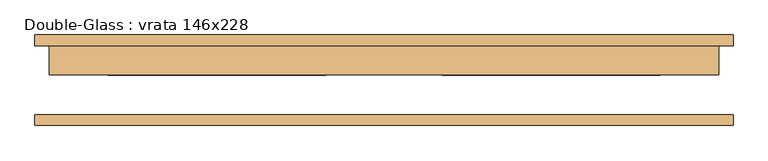
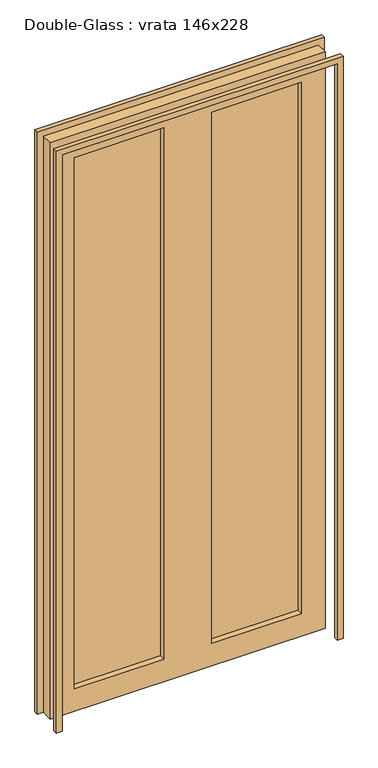
"""IFC4 building model written with IfcOpenShell, lengths in millimetres: door geometry, Double-Glass : vrata 146x228."""

from ifc_helpers import new_model, si_unit, frame, origin, place, context, project, spatial, polyline, outline, extrude, source, transform, mapped, element, save


def double_glass_vrata_146x228_2d1e5dcf(model_context):
    return source(origin(), model_context, "Body", "SweptSolid", [
        extrude(outline(polyline([(0.0, 609.6), (2616.2, 609.6), (2616.2, -609.6), (0.0, -609.6), (0.0, -584.2), (2590.8, -584.2), (2590.8, 584.2), (0.0, 584.2), (0.0, 609.6)])), frame((0.0, -76.66875, 0.0), z_axis=(0.0, 1.0, 0.0), x_axis=(0.0, 0.0, 1.0)), (0.0, 0.0, 1.0), 19.05),
        extrude(outline(polyline([(2590.8, 584.2), (0.0, 584.2), (0.0, 609.6), (2616.2, 609.6), (2616.2, -609.6), (0.0, -609.6), (0.0, -584.2), (2590.8, -584.2), (2590.8, 584.2)])), frame((0.0, 62.38125, 0.0), z_axis=(0.0, 1.0, 0.0), x_axis=(0.0, 0.0, 1.0)), (0.0, 0.0, 1.0), 19.05),
        extrude(outline(polyline([(482.6, 36.98125), (101.6, 36.98125), (101.6, 44.125), (482.6, 44.125), (482.6, 36.98125)])), frame((0.0, 0.0, 101.6), z_axis=(0.0, 0.0, 1.0), x_axis=(1.0, 0.0, 0.0)), (0.0, 0.0, 1.0), 2387.6),
        extrude(outline(polyline([(-101.6, 36.98125), (-482.6, 36.98125), (-482.6, 44.125), (-101.6, 44.125), (-101.6, 36.98125)])), frame((0.0, 0.0, 101.6), z_axis=(0.0, 0.0, 1.0), x_axis=(1.0, 0.0, 0.0)), (0.0, 0.0, 1.0), 2387.6),
        extrude(outline(polyline([(2590.8, 584.2), (2590.8, -584.2), (0.0, -584.2), (0.0, 584.2), (2590.8, 584.2)]), holes=[polyline([(2489.2, -101.6), (101.6, -101.6), (101.6, -482.6), (2489.2, -482.6), (2489.2, -101.6)]), polyline([(2489.2, 482.6), (101.6, 482.6), (101.6, 101.6), (2489.2, 101.6), (2489.2, 482.6)])]), frame((0.0, 11.58125, 0.0), z_axis=(0.0, 1.0, 0.0), x_axis=(0.0, 0.0, 1.0)), (0.0, 0.0, 1.0), 50.8),
    ])


if __name__ == "__main__":
    model = new_model("IFC4")
    model_context = context("Model", 3, world=origin())
    ifc_project = project(units=[si_unit("LENGTHUNIT", "METRE", prefix="MILLI")], contexts=[model_context])
    site = spatial("IfcSite", under=ifc_project)
    building = spatial("IfcBuilding", under=site)
    placement = place(None, origin())
    double_glass_vrata_146x228_shape = double_glass_vrata_146x228_2d1e5dcf(model_context)
    element("IfcDoor", 1, ObjectType="Double-Glass : vrata 146x228", at=placement, inside=building, context=model_context, shape_type="MappedRepresentation", body=[
        mapped(double_glass_vrata_146x228_shape, transform((0.0, 0.0, 0.0), x_axis=(1.0, 0.0, 0.0), y_axis=(0.0, 1.0, 0.0), z_axis=(0.0, 0.0, 1.0))),
    ])
    save(model, "model.ifc")
